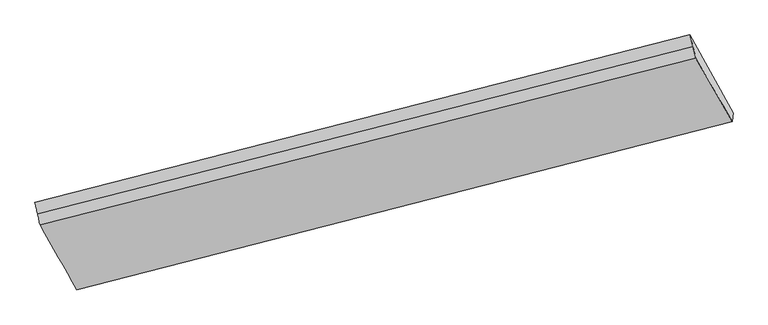
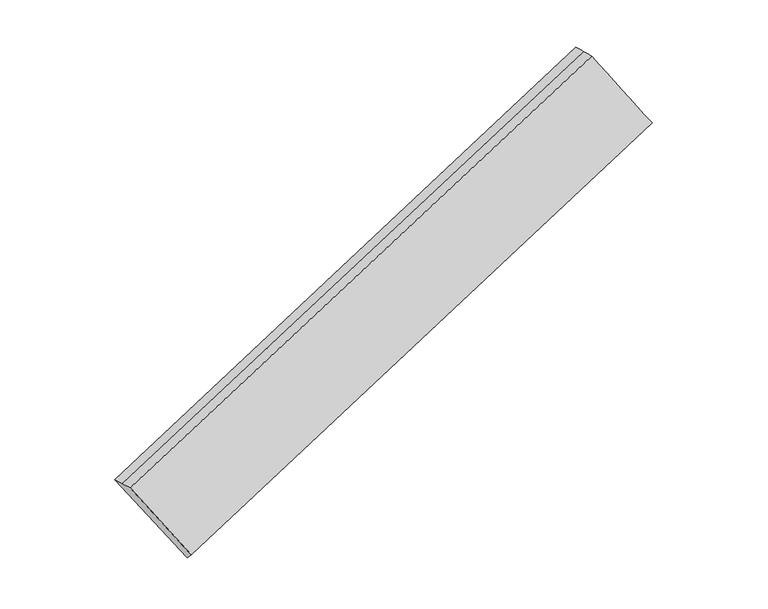
"""IFC4 building model written with IfcOpenShell, lengths in millimetres: proxy geometry."""

import ifcopenshell
import ifcopenshell.guid

model = None  # the IFC model being written
_history = None  # IfcOwnerHistory: only IFC2X3 demands one
_inside = {}  # id of a spatial element -> (the spatial element, [elements in it])
_under = {}  # id of a project, library or spatial element -> (it, [spatial elements below it])
_declared = {}  # id of a project -> (the project, [libraries it declares])
_typed = {}  # id of a type object -> (the type object, [elements of that type])
_made_of = {}  # id of a material, layer set ... -> (it, [elements and type objects made of it])


def new_model(schema):
    """Start an empty IFC model of exactly this schema.

    Asked for "IFC4X3", IfcOpenShell would pick the latest addendum, in which some entities
    have other attributes; the version numbers below select the first issue.
    IFC2X3 requires an IfcOwnerHistory on every rooted entity: one is made here for all.
    """
    global model, _history
    if schema == "IFC4X3":
        model = ifcopenshell.file(schema_version=(4, 3, 0, 0))
    else:
        model = ifcopenshell.file(schema=schema)
    _inside.clear()
    _under.clear()
    _declared.clear()
    _typed.clear()
    _made_of.clear()
    _history = None
    if model.schema == "IFC2X3":
        org = make("IfcOrganization", Name="unknown")
        user = make(
            "IfcPersonAndOrganization",
            ThePerson=make("IfcPerson", FamilyName="unknown"),
            TheOrganization=org,
        )
        app = make(
            "IfcApplication",
            ApplicationDeveloper=org,
            Version="unknown",
            ApplicationFullName="unknown",
            ApplicationIdentifier="unknown",
        )
        _history = make(
            "IfcOwnerHistory",
            OwningUser=user,
            OwningApplication=app,
            ChangeAction="ADDED",
            CreationDate=0,
        )
    return model


def make(cls, **values):
    """One entity of the class cls with the attributes given. An attribute that is None is left unset."""
    return model.create_entity(
        cls, **{name: value for name, value in values.items() if value is not None}
    )


def rooted(cls, **values):
    """An entity with a GlobalId (a new one), such as an element, a storey or a relation."""
    return make(cls, GlobalId=ifcopenshell.guid.new(), OwnerHistory=_history, **values)


def si_unit(unit_type, name, prefix=None):
    """IfcSIUnit, for example si_unit("LENGTHUNIT", "METRE", prefix="MILLI")."""
    return make("IfcSIUnit", UnitType=unit_type, Prefix=prefix, Name=name)


def assignment(units):
    """IfcUnitAssignment: the units of a project."""
    return None if units is None else make("IfcUnitAssignment", Units=units)


def point(xyz):
    """IfcCartesianPoint."""
    return None if xyz is None else make("IfcCartesianPoint", Coordinates=xyz)


def direction(xyz):
    """IfcDirection."""
    return None if xyz is None else make("IfcDirection", DirectionRatios=xyz)


def frame(location, z_axis=None, x_axis=None):
    """IfcAxis2Placement3D, a coordinate frame: its origin and axes. An axis left out is left unset."""
    return make(
        "IfcAxis2Placement3D",
        Location=point(location),
        Axis=direction(z_axis),
        RefDirection=direction(x_axis),
    )


def origin():
    """The frame at (0, 0, 0) with its axes left unset."""
    return frame((0.0, 0.0, 0.0))


def place(relative_to, where):
    """IfcLocalPlacement: puts the frame where relative to a parent placement (None: the world)."""
    return make(
        "IfcLocalPlacement", PlacementRelTo=relative_to, RelativePlacement=where
    )


def context(
    kind, dimensions, precision=None, world=None, true_north=None, identifier=None
):
    """IfcGeometricRepresentationContext, for example the 3D "Model" context."""
    return make(
        "IfcGeometricRepresentationContext",
        ContextIdentifier=identifier,
        ContextType=kind,
        CoordinateSpaceDimension=dimensions,
        Precision=precision,
        WorldCoordinateSystem=world,
        TrueNorth=true_north,
    )


def project(units=None, contexts=None):
    """IfcProject with its units and contexts."""
    return rooted(
        "IfcProject",
        Name="project",
        RepresentationContexts=contexts,
        UnitsInContext=assignment(units),
    )


def spatial(cls, under=None, at=None, **own):
    """A site, building, storey or space (cls), placed at a placement, below another one or the project."""
    s = rooted(cls, ObjectPlacement=at, **own)
    if under is not None:
        _under.setdefault(under.id(), (under, []))[1].append(s)
    return s


def shape(context_of_items, identifier, shape_type, items):
    """IfcShapeRepresentation: the items that make up one representation, for example the "Body"."""
    return make(
        "IfcShapeRepresentation",
        ContextOfItems=context_of_items,
        RepresentationIdentifier=identifier,
        RepresentationType=shape_type,
        Items=items,
    )


def source(mapping_origin, context_of_items, identifier, shape_type, items):
    """IfcRepresentationMap: a shape defined once, which mapped items show again and again."""
    return make(
        "IfcRepresentationMap",
        MappingOrigin=mapping_origin,
        MappedRepresentation=shape(context_of_items, identifier, shape_type, items),
    )


def transform(
    local_origin,
    x_axis=None,
    y_axis=None,
    z_axis=None,
    scale=None,
    scale2=None,
    scale3=None,
    uniform=True,
):
    """IfcCartesianTransformationOperator3D, or its non-uniform kind. x_axis, y_axis, z_axis: its Axis1, 2, 3."""
    if uniform:
        return make(
            "IfcCartesianTransformationOperator3D",
            Axis1=direction(x_axis),
            Axis2=direction(y_axis),
            LocalOrigin=point(local_origin),
            Scale=scale,
            Axis3=direction(z_axis),
        )
    return make(
        "IfcCartesianTransformationOperator3DnonUniform",
        Axis1=direction(x_axis),
        Axis2=direction(y_axis),
        LocalOrigin=point(local_origin),
        Scale=scale,
        Axis3=direction(z_axis),
        Scale2=scale2,
        Scale3=scale3,
    )


def mapped(mapping_source, mapping_target):
    """IfcMappedItem: shows the shape of a source again, moved by a transform."""
    return make(
        "IfcMappedItem", MappingSource=mapping_source, MappingTarget=mapping_target
    )


def made_of(thing, what):
    """Note that an element or type object is made of a material, layer set ...; save() writes the relation."""
    if what is not None:
        _made_of.setdefault(what.id(), (what, []))[1].append(thing)
    return thing


def element(
    cls,
    number,
    at=None,
    inside=None,
    cuts=None,
    type_object=None,
    material=None,
    context=None,
    identifier="Body",
    shape_type=None,
    held_by="IfcProductDefinitionShape",
    body=None,
    shapes=None,
    **own,
):
    """One element of the class cls, such as IfcWall. Its Tag is "e" and its number.

    at: its placement. inside: the storey or other place that contains it. cuts: it is an
    opening in that element (IfcRelVoidsElement). A single representation is given by context,
    identifier, shape_type and body (its items); several are given by shapes. held_by: the class
    of the entity that holds the representations. save() writes the other relations.
    """
    e = rooted(cls, Tag="e%d" % number, ObjectPlacement=at, **own)
    if body is not None:
        shapes = [shape(context, identifier, shape_type, body)]
    if shapes is not None:
        e.Representation = make(held_by, Representations=shapes)
    if inside is not None:
        _inside.setdefault(inside.id(), (inside, []))[1].append(e)
    if cuts is not None:
        rooted(
            "IfcRelVoidsElement", RelatingBuildingElement=cuts, RelatedOpeningElement=e
        )
    if type_object is not None:
        _typed.setdefault(type_object.id(), (type_object, []))[1].append(e)
    return made_of(e, material)


def aggregate(whole, parts):
    """IfcRelAggregates: a whole, such as a stair, and the parts it consists of."""
    return rooted("IfcRelAggregates", RelatingObject=whole, RelatedObjects=parts)


def save(model, path):
    """Write the relations noted so far, then the file.

    IfcRelAggregates (storeys below a building ...), IfcRelContainedInSpatialStructure (elements
    in a storey), IfcRelDefinesByType, IfcRelAssociatesMaterial and IfcRelDeclares: one each for
    every whole, place, type object, material and project.
    """
    for whole, parts in _under.values():
        aggregate(whole, parts)
    for where, things in _inside.values():
        rooted(
            "IfcRelContainedInSpatialStructure",
            RelatedElements=things,
            RelatingStructure=where,
        )
    for kind, things in _typed.values():
        rooted("IfcRelDefinesByType", RelatedObjects=things, RelatingType=kind)
    for what, things in _made_of.values():
        rooted("IfcRelAssociatesMaterial", RelatedObjects=things, RelatingMaterial=what)
    for by, libraries in _declared.values():
        rooted("IfcRelDeclares", RelatingContext=by, RelatedDefinitions=libraries)
    model.write(path)


def plane_surface(at):
    """IfcPlane: the flat surface through the origin of the frame at, square to its z axis."""
    return make("IfcPlane", Position=at)


def spline_surface(u_degree, v_degree, points, u_multiplicities, v_multiplicities, u_knots, v_knots, weights=None):
    """IfcBSplineSurfaceWithKnots; with weights, IfcRationalBSplineSurfaceWithKnots. points: one row for each step in u."""
    own = dict(
        UDegree=u_degree,
        VDegree=v_degree,
        ControlPointsList=[[point(p) for p in row] for row in points],
        SurfaceForm="UNSPECIFIED",
        UClosed=False,
        VClosed=False,
        SelfIntersect=False,
        UMultiplicities=u_multiplicities,
        VMultiplicities=v_multiplicities,
        UKnots=u_knots,
        VKnots=v_knots,
        KnotSpec="UNSPECIFIED",
    )
    if weights is None:
        return make("IfcBSplineSurfaceWithKnots", **own)
    return make("IfcRationalBSplineSurfaceWithKnots", WeightsData=weights, **own)


def advanced_brep(points, edges, surfaces, faces):
    """IfcAdvancedBrep: a solid bounded by faces that lie on surfaces and meet in shared edges.

    An edge is (start, end): straight between two places in points (the first is 0);
    or (start, end, curve); or (start, end, curve, False) where it runs against its curve.
    A face is (place in surfaces, loops), or (place, loops, False) where it looks against
    its surface's normal. A loop lists edges by number (the first is 1), with a minus sign
    where the edge is run from its end to its start. The first loop is the outer one.
    """
    corners = [point(p) for p in points]
    vertices = [make("IfcVertexPoint", VertexGeometry=c) for c in corners]
    made = []
    for start, end, *more in edges:
        made.append(
            make(
                "IfcEdgeCurve",
                EdgeStart=vertices[start],
                EdgeEnd=vertices[end],
                EdgeGeometry=more[0] if more else make("IfcPolyline", Points=[corners[start], corners[end]]),
                SameSense=more[1] if len(more) > 1 else True,
            )
        )
    hull = []
    for where, loops, *sense in faces:
        bounds = []
        for j, loop in enumerate(loops):
            ring = [make("IfcOrientedEdge", EdgeElement=made[abs(k) - 1], Orientation=k > 0) for k in loop]
            bounds.append(
                make(
                    "IfcFaceOuterBound" if j == 0 else "IfcFaceBound",
                    Bound=make("IfcEdgeLoop", EdgeList=ring),
                    Orientation=True,
                )
            )
        hull.append(make("IfcAdvancedFace", Bounds=bounds, FaceSurface=surfaces[where], SameSense=sense[0] if sense else True))
    return make("IfcAdvancedBrep", Outer=make("IfcClosedShell", CfsFaces=hull))


def generic_models_e67890c0(model_context):
    return source(origin(), model_context, "Body", "AdvancedBrep", [
        advanced_brep(
        [(-7421.9965379, -2396.967014, 792.6794738), (-6932.3966429, -3262.1733508, 0.4538735), (1836.0130596, -1008.6427276, 2956.9075113), (1348.0377786, -161.7008067, 3758.0589525), (-7456.9452979, -2245.5960529, 781.9667968), (1309.0384103, -5.3083471, 3755.5043864), (-7491.8940578, -2094.2250917, 771.2541198), (1270.0390419, 151.0841125, 3752.9498204), (-6918.327054, -3135.287046, -136.2187065), (1848.238665, -898.3863512, 2838.147465), (-6925.3618485, -3198.7301984, -67.8824165), (1842.1258623, -953.5145394, 2897.5274882)],
        [
            (0, 1),
            (1, 2),
            (2, 3),
            (3, 0),
            (4, 0),
            (3, 5),
            (5, 4),
            (6, 4),
            (5, 7),
            (7, 6),
            (8, 6),
            (7, 9),
            (9, 8),
            (10, 8),
            (9, 11),
            (11, 10),
            (1, 10),
            (11, 2),
        ],
        [
            spline_surface(1, 1, [[(-7421.9965379, -2396.967014, 792.6794738), (1348.0377786, -161.7008067, 3758.0589525)], [(-6932.3966429, -3262.1733508, 0.4538735), (1836.0130596, -1008.6427276, 2956.9075113)]], [2, 2], [2, 2], [0.0, 1.0], [0.0, 1.0]),
            spline_surface(1, 1, [[(-7456.9452979, -2245.5960529, 781.9667968), (1309.0384103, -5.3083471, 3755.5043864)], [(-7421.9965379, -2396.967014, 792.6794738), (1348.0377786, -161.7008067, 3758.0589525)]], [2, 2], [2, 2], [0.0, 1.0], [0.0, 1.0]),
            spline_surface(1, 1, [[(-7491.8940578, -2094.2250917, 771.2541198), (1270.0390419, 151.0841125, 3752.9498204)], [(-7456.9452979, -2245.5960529, 781.9667968), (1309.0384103, -5.3083471, 3755.5043864)]], [2, 2], [2, 2], [0.0, 1.0], [0.0, 1.0]),
            plane_surface(frame((-7205.1105559, -2614.7560688, 317.5177066), z_axis=(0.07488838261235342, 0.6783671583286333, -0.7308965239011886), x_axis=(-0.3835478148137082, 0.6961645892480528, 0.606832710414262))),
            plane_surface(frame((-6921.8444512, -3167.0086222, -102.0505615), z_axis=(0.3835281580271648, -0.6961695998933619, -0.6068393858218225), x_axis=(0.07522932044646395, 0.6784541140090858, -0.7307807910237581))),
            plane_surface(frame((-6928.8792457, -3230.4517746, -33.7142715), z_axis=(0.38352815802716483, -0.6961695998933612, -0.6068393858218233), x_axis=(0.07522932044646388, 0.6784541140090867, -0.7307807910237574))),
            plane_surface(frame((1575.5821363, -479.4114432, 3326.5159373), z_axis=(0.9204518581093604, 0.23463776307673173, 0.3125915818466228), x_axis=(-0.3835478148137082, 0.6961645892480528, 0.606832710414262))),
            plane_surface(frame((-7191.1535732, -2722.1631256, 357.0421902), z_axis=(-0.9204518581094212, -0.23463776307658715, -0.31259158184655195), x_axis=(-0.3851523348133675, 0.6806297226458915, 0.6232181477129726))),
        ],
        [
            (0, [[1, 2, 3, 4]]),
            (1, [[5, -4, 6, 7]]),
            (2, [[8, -7, 9, 10]]),
            (3, [[11, -10, 12, 13]]),
            (4, [[14, -13, 15, 16]]),
            (5, [[17, -16, 18, -2]]),
            (6, [[-12, -9, -6, -3, -18, -15]]),
            (7, [[-1, -5, -8, -11, -14, -17]]),
        ],
    ),
    ])


if __name__ == "__main__":
    model = new_model("IFC4")
    model_context = context("Model", 3, world=origin())
    ifc_project = project(units=[si_unit("LENGTHUNIT", "METRE", prefix="MILLI")], contexts=[model_context])
    site = spatial("IfcSite", under=ifc_project)
    building = spatial("IfcBuilding", under=site)
    placement = place(None, origin())
    generic_models_shape = generic_models_e67890c0(model_context)
    element("IfcBuildingElementProxy", 1, Name="Generic Models", at=placement, inside=building, context=model_context, shape_type="MappedRepresentation", body=[
        mapped(generic_models_shape, transform((0.0, 0.0, 0.0), x_axis=(1.0, 0.0, 0.0), y_axis=(0.0, 1.0, 0.0), z_axis=(0.0, 0.0, 1.0))),
    ])
    save(model, "model.ifc")
